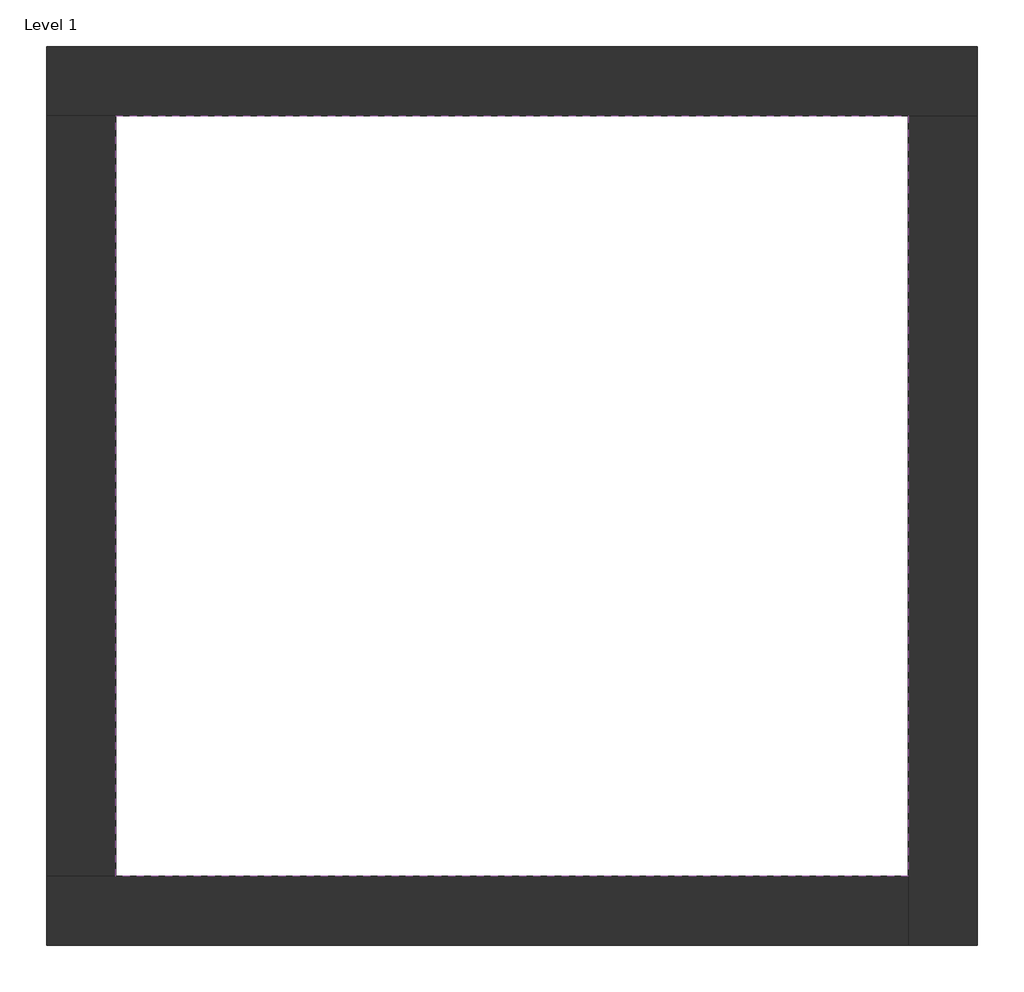
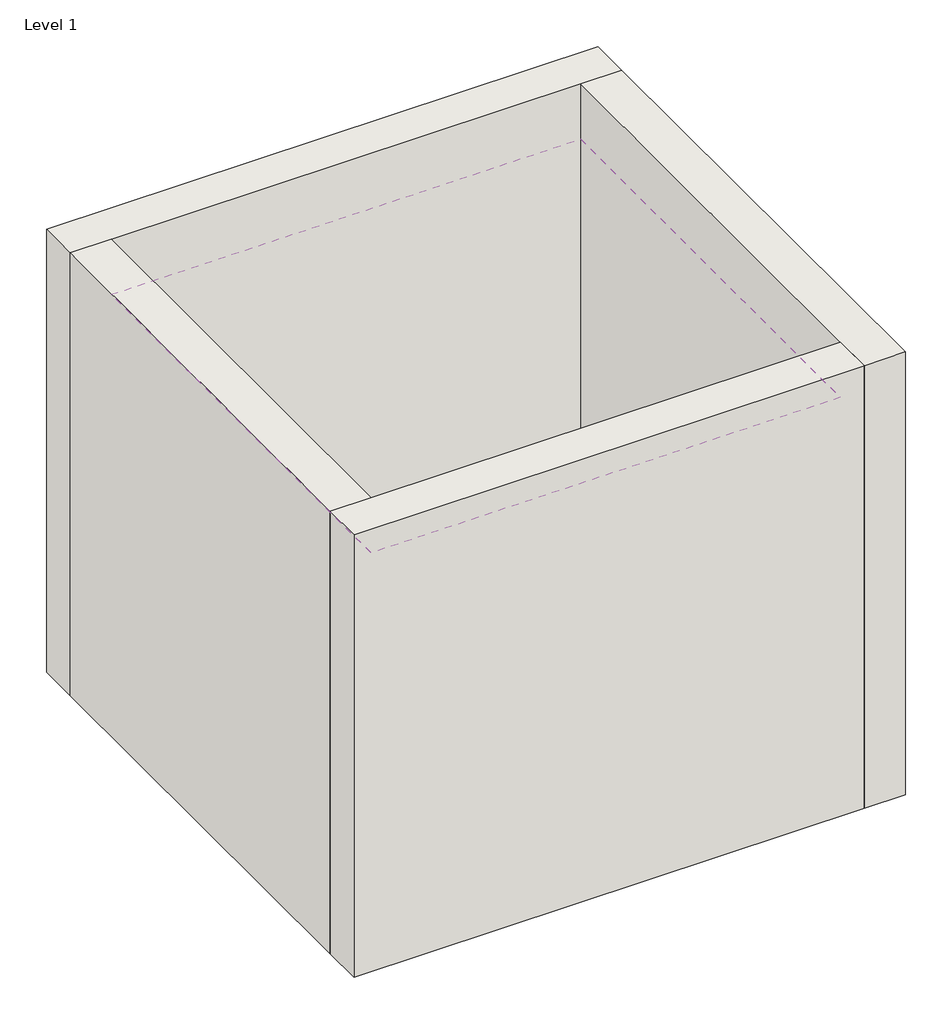
# One storey: 4 walls, 1 covering.
"""IFC4 building model written with IfcOpenShell, lengths in millimetres."""

from ifc_helpers import new_model, si_unit, frame, origin, origin_with_axes, place, context, project, spatial, polyline, outline, extrude, faceted_brep, element, save

model = new_model("IFC4")

# Units and contexts
model_context = context("Model", 3, world=origin())
ifc_project = project(units=[si_unit("LENGTHUNIT", "METRE", prefix="MILLI")], contexts=[model_context])

# Site, building, storey
site = spatial("IfcSite", under=ifc_project)
building = spatial("IfcBuilding", under=site)
storey = spatial("IfcBuildingStorey", under=building, Name="Level 1", Elevation=0.0)

# Covering
placement = place(None, origin())
element("IfcCovering", 1, ObjectType="CAP. 3 - SiH 02 - PLAFON", at=placement, inside=storey, context=model_context, shape_type="SweptSolid", body=[
    extrude(outline(polyline([(-14894.8573003, 6921.2750283), (-10882.3573003, 6921.2750283), (-10882.3573003, 3071.2750283), (-14894.8573003, 3071.2750283), (-14894.8573003, 6921.2750283)])), frame((0.0, 0.0, 3500.0), z_axis=(0.0, 0.0, 1.0), x_axis=(1.0, 0.0, 0.0)), (0.0, 0.0, 1.0), 64.2),
])

# Walls
element("IfcWall", 2, ObjectType="Exterior - Brick on Mtl. Stud", at=placement, inside=storey, context=model_context, shape_type="Brep", body=[
    faceted_brep([(-15244.8573003, 6921.2750283, 0.0), (-14894.8573003, 6921.2750283, 0.0), (-10882.3573003, 6921.2750283, 0.0), (-10532.3573003, 6921.2750283, 0.0), (-10532.3573003, 6921.2750283, 4000.0), (-10882.3573003, 6921.2750283, 4000.0), (-14894.8573003, 6921.2750283, 4000.0), (-15244.8573003, 6921.2750283, 4000.0), (-15244.8573003, 7271.2750283, 0.0), (-15244.8573003, 7271.2750283, 4000.0), (-10532.3573003, 7271.2750283, 4000.0), (-10532.3573003, 7271.2750283, 0.0)], [[[0, 1, 2, 3, 4, 5, 6, 7]], [[8, 9, 10, 11]], [[3, 2, 1, 0, 8, 11]], [[7, 6, 5, 4, 10, 9]], [[0, 7, 9, 8]], [[4, 3, 11, 10]]]),
])
element("IfcWall", 3, ObjectType="Exterior - Brick on Mtl. Stud", at=placement, inside=storey, context=model_context, shape_type="Brep", body=[
    faceted_brep([(-10882.3573003, 6921.2750283, 0.0), (-10882.3573003, 3071.2750283, 0.0), (-10882.3573003, 2721.2750283, 0.0), (-10882.3573003, 2721.2750283, 4000.0), (-10882.3573003, 3071.2750283, 4000.0), (-10882.3573003, 6921.2750283, 4000.0), (-10532.3573003, 6921.2750283, 0.0), (-10532.3573003, 6921.2750283, 4000.0), (-10532.3573003, 2721.2750283, 4000.0), (-10532.3573003, 2721.2750283, 0.0)], [[[0, 1, 2, 3, 4, 5]], [[6, 7, 8, 9]], [[2, 1, 0, 6, 9]], [[5, 4, 3, 8, 7]], [[3, 2, 9, 8]], [[0, 5, 7, 6]]]),
])
element("IfcWall", 4, ObjectType="Exterior - Brick on Mtl. Stud", at=placement, inside=storey, context=model_context, shape_type="Brep", body=[
    faceted_brep([(-10882.3573003, 3071.2750283, 0.0), (-14894.8573003, 3071.2750283, 0.0), (-15244.8573003, 3071.2750283, 0.0), (-15244.8573003, 3071.2750283, 4000.0), (-14894.8573003, 3071.2750283, 4000.0), (-10882.3573003, 3071.2750283, 4000.0), (-10882.3573003, 2721.2750283, 0.0), (-10882.3573003, 2721.2750283, 4000.0), (-15244.8573003, 2721.2750283, 4000.0), (-15244.8573003, 2721.2750283, 0.0)], [[[0, 1, 2, 3, 4, 5]], [[6, 7, 8, 9]], [[2, 1, 0, 6, 9]], [[5, 4, 3, 8, 7]], [[3, 2, 9, 8]], [[0, 5, 7, 6]]]),
])
element("IfcWall", 5, ObjectType="Exterior - Brick on Mtl. Stud", at=placement, inside=storey, context=model_context, shape_type="SweptSolid", body=[
    extrude(outline(polyline([(-14894.8573003, 6921.2750283), (-14894.8573003, 3071.2750283), (-15244.8573003, 3071.2750283), (-15244.8573003, 6921.2750283), (-14894.8573003, 6921.2750283)])), origin_with_axes(), (0.0, 0.0, 1.0), 4000.0),
])

save(model, "model.ifc")
